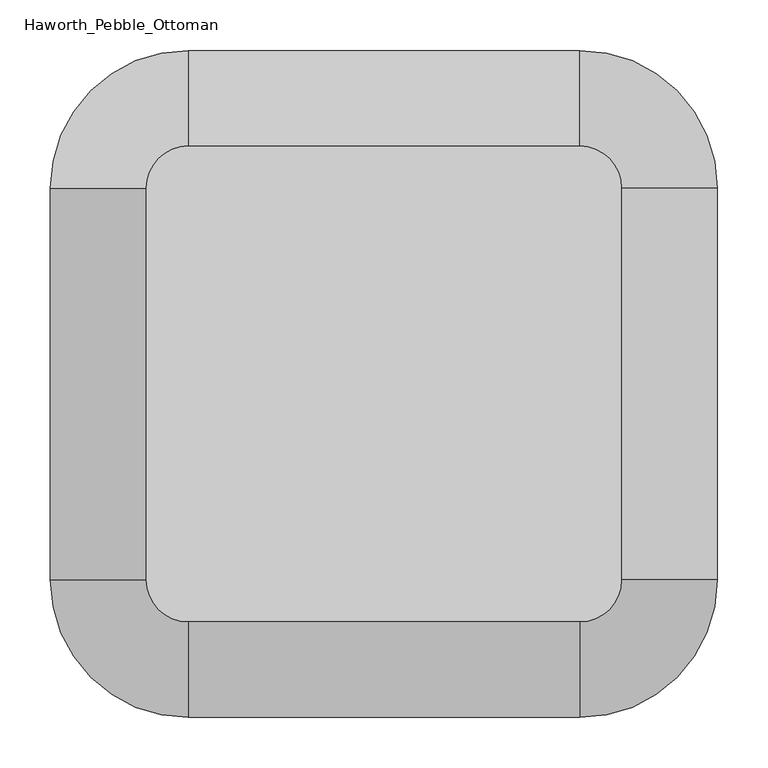
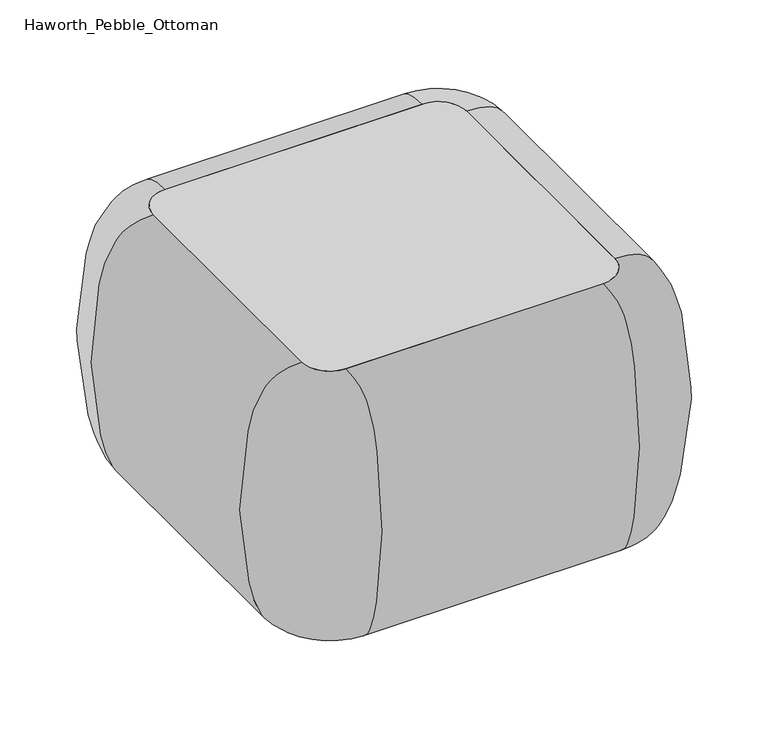
"""IFC4 building model written with IfcOpenShell, lengths in millimetres: furniture geometry, Haworth_Pebble_Ottoman."""

from ifc_helpers import new_model, si_unit, point, frame, frame_2d, origin, origin_with_axes, place, context, project, spatial, polyline, circle_curve, trimmed, segment, composite_curve, outline, extrude, source, transform, mapped, element, save
from ifc_brep_helpers import plane_surface, revolved_surface, extruded_surface, spline_curve, advanced_brep


def haworth_pebble_ottoman_5404f84c(model_context):
    return source(origin(), model_context, "Body", "SolidModel", [
        advanced_brep(
        [(-176.5660101, -203.5755598, 431.4267645), (-134.8941351, -161.9036848, 431.4267645), (-134.8941351, -161.9036848, 15.9000004), (-176.5660101, -203.5755598, 15.9000004), (-176.5660101, -591.6663394, 15.9000004), (-176.5660101, -591.6663394, 431.4267645), (-134.8941351, -633.3382144, 431.4267645), (-134.8941351, -633.3382144, 15.9000004), (253.1966445, -633.3382144, 15.9000004), (253.1966445, -633.3382144, 431.4267645), (294.8685195, -591.6663394, 431.4267645), (294.8685195, -591.6663394, 15.9000004), (294.8685195, -203.5755598, 15.9000004), (294.8685195, -203.5755598, 431.4267645), (253.1966445, -161.9036848, 431.4267645), (253.1966445, -161.9036848, 15.9000004)],
        [
            (0, 1, circle_curve(frame((-134.8941351, -203.5755598, 431.4267645), z_axis=(0.0, 0.0, -1.0), x_axis=(0.0, 1.0, 0.0)), 41.671875)),
            (1, 2, spline_curve(3, [(-134.8941351, -161.9036848, 431.4267645), (-134.8941351, -121.948115381, 431.4267645), (-134.8941351, -110.871777146, 418.111325992), (-134.8941351, -89.306972713, 387.074624676), (-134.8941351, -84.670677697, 372.805576067), (-134.8941351, -73.635251949, 318.739710756), (-134.8941351, -67.131224276, 272.461148795), (-134.8941351, -67.473839323, 183.217431721), (-134.8941351, -74.88408531, 140.468636482), (-134.8941351, -86.610831328, 86.422119583), (-134.8941351, -91.160499, 69.442528942), (-134.8941351, -105.990009523, 40.550023909), (-134.8941351, -113.99736919, 28.736458982), (-134.8941351, -161.9036848, 15.9000004)], [4, 2, 2, 2, 2, 2, 4], [0.0, 0.14234338208612818, 0.3844442925433662, 0.7007195720884005, 1.0300826792167348, 1.2544468815012602, 1.4077182079104207])),
            (2, 3, circle_curve(frame((-134.8941351, -203.5755598, 15.9000004), z_axis=(0.0, 0.0, 1.0), x_axis=(0.0, 1.0, 0.0)), 41.671875)),
            (3, 0, spline_curve(3, [(-176.5660101, -203.5755598, 15.9000004), (-224.47232571, -203.5755598, 28.736458982), (-232.479685377, -203.5755598, 40.550023909), (-247.3091959, -203.5755598, 69.442528942), (-251.858863572, -203.5755598, 86.422119583), (-263.58560959, -203.5755598, 140.468636482), (-270.995855577, -203.5755598, 183.217431721), (-271.338470624, -203.5755598, 272.461148795), (-264.834442951, -203.5755598, 318.739710756), (-253.799017203, -203.5755598, 372.805576067), (-249.162722287, -203.5755598, 387.074624676), (-227.597917854, -203.5755598, 418.111325992), (-216.521579519, -203.5755598, 431.4267645), (-176.5660101, -203.5755598, 431.4267645)], [4, 2, 2, 2, 2, 2, 4], [0.0, 0.15327132640916052, 0.3776355286936859, 0.7069986358220202, 1.0232739153670545, 1.2653748258242925, 1.4077182079104207])),
            (2, 1),
            (0, 3),
            (3, 4),
            (4, 5, spline_curve(3, [(-176.5660101, -591.6663394, 15.9000004), (-224.47232571, -591.6663394, 28.736458982), (-232.479685377, -591.6663394, 40.550023909), (-247.3091959, -591.6663394, 69.442528942), (-251.858863572, -591.6663394, 86.422119583), (-263.58560959, -591.6663394, 140.468636482), (-270.995855577, -591.6663394, 183.217431721), (-271.338470624, -591.6663394, 272.461148795), (-264.834442951, -591.6663394, 318.739710756), (-253.799017203, -591.6663394, 372.805576067), (-249.162722287, -591.6663394, 387.074624676), (-227.597917854, -591.6663394, 418.111325992), (-216.521579519, -591.6663394, 431.4267645), (-176.5660101, -591.6663394, 431.4267645)], [4, 2, 2, 2, 2, 2, 4], [0.0, 0.15327132640916052, 0.3776355286936859, 0.7069986358220202, 1.0232739153670545, 1.2653748258242925, 1.4077182079104207])),
            (5, 0),
            (5, 4),
            (6, 5, circle_curve(frame((-134.8941351, -591.6663394, 431.4267645), z_axis=(0.0, 0.0, -1.0), x_axis=(-1.0, 0.0, 0.0)), 41.671875)),
            (4, 7, circle_curve(frame((-134.8941351, -591.6663394, 15.9000004), z_axis=(0.0, 0.0, 1.0), x_axis=(-1.0, 0.0, 0.0)), 41.671875)),
            (7, 6, spline_curve(3, [(-134.8941351, -633.3382144, 15.9000004), (-134.8941351, -681.24453001, 28.736458982), (-134.8941351, -689.251889677, 40.550023909), (-134.8941351, -704.0814002, 69.442528942), (-134.8941351, -708.631067872, 86.422119583), (-134.8941351, -720.35781389, 140.468636482), (-134.8941351, -727.768059877, 183.217431721), (-134.8941351, -728.110674924, 272.461148795), (-134.8941351, -721.606647251, 318.739710756), (-134.8941351, -710.571221503, 372.805576067), (-134.8941351, -705.934926587, 387.074624676), (-134.8941351, -684.370122154, 418.111325992), (-134.8941351, -673.293783819, 431.4267645), (-134.8941351, -633.3382144, 431.4267645)], [4, 2, 2, 2, 2, 2, 4], [0.0, 0.15327132640916052, 0.3776355286936859, 0.7069986358220202, 1.0232739153670545, 1.2653748258242925, 1.4077182079104207])),
            (6, 7),
            (7, 8),
            (8, 9, spline_curve(3, [(253.1966445, -633.3382144, 15.9000004), (253.1966445, -681.24453001, 28.736458982), (253.1966445, -689.251889677, 40.550023909), (253.1966445, -704.0814002, 69.442528942), (253.1966445, -708.631067872, 86.422119583), (253.1966445, -720.35781389, 140.468636482), (253.1966445, -727.768059877, 183.217431721), (253.1966445, -728.110674924, 272.461148795), (253.1966445, -721.606647251, 318.739710756), (253.1966445, -710.571221503, 372.805576067), (253.1966445, -705.934926587, 387.074624676), (253.1966445, -684.370122154, 418.111325992), (253.1966445, -673.293783819, 431.4267645), (253.1966445, -633.3382144, 431.4267645)], [4, 2, 2, 2, 2, 2, 4], [0.0, 0.15327132640916052, 0.3776355286936859, 0.7069986358220202, 1.0232739153670545, 1.2653748258242925, 1.4077182079104207])),
            (9, 6),
            (9, 8),
            (10, 9, circle_curve(frame((253.1966445, -591.6663394, 431.4267645), z_axis=(0.0, 0.0, -1.0), x_axis=(0.0, -1.0, 0.0)), 41.671875)),
            (8, 11, circle_curve(frame((253.1966445, -591.6663394, 15.9000004), z_axis=(0.0, 0.0, 1.0), x_axis=(0.0, -1.0, 0.0)), 41.671875)),
            (11, 10, spline_curve(3, [(294.8685195, -591.6663394, 15.9000004), (342.77483511, -591.6663394, 28.736458982), (350.782194777, -591.6663394, 40.550023909), (365.6117053, -591.6663394, 69.442528942), (370.161372972, -591.6663394, 86.422119583), (381.88811899, -591.6663394, 140.468636482), (389.298364977, -591.6663394, 183.217431721), (389.640980024, -591.6663394, 272.461148795), (383.136952351, -591.6663394, 318.739710756), (372.101526603, -591.6663394, 372.805576067), (367.465231687, -591.6663394, 387.074624676), (345.900427254, -591.6663394, 418.111325992), (334.824088919, -591.6663394, 431.4267645), (294.8685195, -591.6663394, 431.4267645)], [4, 2, 2, 2, 2, 2, 4], [0.0, 0.15327132640916052, 0.3776355286936859, 0.7069986358220202, 1.0232739153670545, 1.2653748258242925, 1.4077182079104207])),
            (10, 11),
            (11, 12),
            (12, 13, spline_curve(3, [(294.8685195, -203.5755598, 15.9000004), (342.77483511, -203.5755598, 28.736458982), (350.782194777, -203.5755598, 40.550023909), (365.6117053, -203.5755598, 69.442528942), (370.161372972, -203.5755598, 86.422119583), (381.88811899, -203.5755598, 140.468636482), (389.298364977, -203.5755598, 183.217431721), (389.640980024, -203.5755598, 272.461148795), (383.136952351, -203.5755598, 318.739710756), (372.101526603, -203.5755598, 372.805576067), (367.465231687, -203.5755598, 387.074624676), (345.900427254, -203.5755598, 418.111325992), (334.824088919, -203.5755598, 431.4267645), (294.8685195, -203.5755598, 431.4267645)], [4, 2, 2, 2, 2, 2, 4], [0.0, 0.15327132640916052, 0.3776355286936859, 0.7069986358220202, 1.0232739153670545, 1.2653748258242925, 1.4077182079104207])),
            (13, 10),
            (13, 12),
            (14, 13, circle_curve(frame((253.1966445, -203.5755598, 431.4267645), z_axis=(0.0, 0.0, -1.0), x_axis=(1.0, 0.0, 0.0)), 41.671875)),
            (12, 15, circle_curve(frame((253.1966445, -203.5755598, 15.9000004), z_axis=(0.0, 0.0, 1.0), x_axis=(1.0, 0.0, 0.0)), 41.671875)),
            (15, 14, spline_curve(3, [(253.1966445, -161.9036848, 15.9000004), (253.1966445, -113.99736919, 28.736458982), (253.1966445, -105.990009523, 40.550023909), (253.1966445, -91.160499, 69.442528942), (253.1966445, -86.610831328, 86.422119583), (253.1966445, -74.88408531, 140.468636482), (253.1966445, -67.473839323, 183.217431721), (253.1966445, -67.131224276, 272.461148795), (253.1966445, -73.635251949, 318.739710756), (253.1966445, -84.670677697, 372.805576067), (253.1966445, -89.306972713, 387.074624676), (253.1966445, -110.871777146, 418.111325992), (253.1966445, -121.948115381, 431.4267645), (253.1966445, -161.9036848, 431.4267645)], [4, 2, 2, 2, 2, 2, 4], [0.0, 0.15327132640916052, 0.3776355286936859, 0.7069986358220202, 1.0232739153670545, 1.2653748258242925, 1.4077182079104207])),
            (14, 15),
            (15, 2),
            (1, 14),
        ],
        [
            revolved_surface(spline_curve(3, [(-134.8941351, -161.9036848, 15.9000004), (-134.8941351, -113.99736919, 28.736458982), (-134.8941351, -105.990009523, 40.550023909), (-134.8941351, -91.160499, 69.442528942), (-134.8941351, -86.610831328, 86.422119583), (-134.8941351, -74.88408531, 140.468636482), (-134.8941351, -67.473839323, 183.217431721), (-134.8941351, -67.131224276, 272.461148795), (-134.8941351, -73.635251949, 318.739710756), (-134.8941351, -84.670677697, 372.805576067), (-134.8941351, -89.306972713, 387.074624676), (-134.8941351, -110.871777146, 418.111325992), (-134.8941351, -121.948115381, 431.4267645), (-134.8941351, -161.9036848, 431.4267645)], [4, 2, 2, 2, 2, 2, 4], [0.0, 0.15327132640916052, 0.3776355286936859, 0.7069986358220202, 1.0232739153670545, 1.2653748258242925, 1.4077182079104207]), (-134.8941351, -203.5755598, 584.2), (0.0, 0.0, 1.0)),
            revolved_surface(polyline([(-134.8941351, -161.9036848, 431.4267645), (-134.8941351, -161.9036848, 15.900000399999954)]), (-134.8941351, -203.5755598, 584.2), (0.0, 0.0, 1.0)),
            extruded_surface(spline_curve(3, [(-176.5660101, -591.6663394, 15.9000004), (-224.47232571, -591.6663394, 28.736458982), (-232.479685377, -591.6663394, 40.550023909), (-247.3091959, -591.6663394, 69.442528942), (-251.858863572, -591.6663394, 86.422119583), (-263.58560959, -591.6663394, 140.468636482), (-270.995855577, -591.6663394, 183.217431721), (-271.338470624, -591.6663394, 272.461148795), (-264.834442951, -591.6663394, 318.739710756), (-253.799017203, -591.6663394, 372.805576067), (-249.162722287, -591.6663394, 387.074624676), (-227.597917854, -591.6663394, 418.111325992), (-216.521579519, -591.6663394, 431.4267645), (-176.5660101, -591.6663394, 431.4267645)], [4, 2, 2, 2, 2, 2, 4], [0.0, 0.15327132640916052, 0.3776355286936859, 0.7069986358220202, 1.0232739153670545, 1.2653748258242925, 1.4077182079104207]), (0.0, 388.09077959999996, 0.0), 388.09077959999996),
            plane_surface(frame((-176.5660101, -203.5755598, 431.4267645), z_axis=(1.0, 0.0, 0.0), x_axis=(0.0, -1.0, 0.0))),
            revolved_surface(spline_curve(3, [(-176.5660101, -591.6663394, 15.9000004), (-224.47232571, -591.6663394, 28.736458982), (-232.479685377, -591.6663394, 40.550023909), (-247.3091959, -591.6663394, 69.442528942), (-251.858863572, -591.6663394, 86.422119583), (-263.58560959, -591.6663394, 140.468636482), (-270.995855577, -591.6663394, 183.217431721), (-271.338470624, -591.6663394, 272.461148795), (-264.834442951, -591.6663394, 318.739710756), (-253.799017203, -591.6663394, 372.805576067), (-249.162722287, -591.6663394, 387.074624676), (-227.597917854, -591.6663394, 418.111325992), (-216.521579519, -591.6663394, 431.4267645), (-176.5660101, -591.6663394, 431.4267645)], [4, 2, 2, 2, 2, 2, 4], [0.0, 0.15327132640916052, 0.3776355286936859, 0.7069986358220202, 1.0232739153670545, 1.2653748258242925, 1.4077182079104207]), (-134.8941351, -591.6663394, 584.2), (0.0, 0.0, 1.0)),
            revolved_surface(polyline([(-176.5660101, -591.6663394, 431.4267645), (-176.5660101, -591.6663394, 15.900000399999954)]), (-134.8941351, -591.6663394, 584.2), (0.0, 0.0, 1.0)),
            extruded_surface(spline_curve(3, [(253.1966445, -633.3382144, 15.9000004), (253.1966445, -681.24453001, 28.736458982), (253.1966445, -689.251889677, 40.550023909), (253.1966445, -704.0814002, 69.442528942), (253.1966445, -708.631067872, 86.422119583), (253.1966445, -720.35781389, 140.468636482), (253.1966445, -727.768059877, 183.217431721), (253.1966445, -728.110674924, 272.461148795), (253.1966445, -721.606647251, 318.739710756), (253.1966445, -710.571221503, 372.805576067), (253.1966445, -705.934926587, 387.074624676), (253.1966445, -684.370122154, 418.111325992), (253.1966445, -673.293783819, 431.4267645), (253.1966445, -633.3382144, 431.4267645)], [4, 2, 2, 2, 2, 2, 4], [0.0, 0.15327132640916052, 0.3776355286936859, 0.7069986358220202, 1.0232739153670545, 1.2653748258242925, 1.4077182079104207]), (-388.0907796, 0.0, 0.0), 388.0907796),
            plane_surface(frame((-134.8941351, -633.3382144, 431.4267645), z_axis=(0.0, 1.0, 0.0), x_axis=(1.0, 0.0, 0.0))),
            revolved_surface(spline_curve(3, [(253.1966445, -633.3382144, 15.9000004), (253.1966445, -681.24453001, 28.736458982), (253.1966445, -689.251889677, 40.550023909), (253.1966445, -704.0814002, 69.442528942), (253.1966445, -708.631067872, 86.422119583), (253.1966445, -720.35781389, 140.468636482), (253.1966445, -727.768059877, 183.217431721), (253.1966445, -728.110674924, 272.461148795), (253.1966445, -721.606647251, 318.739710756), (253.1966445, -710.571221503, 372.805576067), (253.1966445, -705.934926587, 387.074624676), (253.1966445, -684.370122154, 418.111325992), (253.1966445, -673.293783819, 431.4267645), (253.1966445, -633.3382144, 431.4267645)], [4, 2, 2, 2, 2, 2, 4], [0.0, 0.15327132640916052, 0.3776355286936859, 0.7069986358220202, 1.0232739153670545, 1.2653748258242925, 1.4077182079104207]), (253.1966445, -591.6663394, 584.2), (0.0, 0.0, 1.0)),
            revolved_surface(polyline([(253.1966445, -633.3382144, 431.4267645), (253.1966445, -633.3382144, 15.900000399999954)]), (253.1966445, -591.6663394, 584.2), (0.0, 0.0, 1.0)),
            extruded_surface(spline_curve(3, [(294.8685195, -203.5755598, 15.9000004), (342.77483511, -203.5755598, 28.736458982), (350.782194777, -203.5755598, 40.550023909), (365.6117053, -203.5755598, 69.442528942), (370.161372972, -203.5755598, 86.422119583), (381.88811899, -203.5755598, 140.468636482), (389.298364977, -203.5755598, 183.217431721), (389.640980024, -203.5755598, 272.461148795), (383.136952351, -203.5755598, 318.739710756), (372.101526603, -203.5755598, 372.805576067), (367.465231687, -203.5755598, 387.074624676), (345.900427254, -203.5755598, 418.111325992), (334.824088919, -203.5755598, 431.4267645), (294.8685195, -203.5755598, 431.4267645)], [4, 2, 2, 2, 2, 2, 4], [0.0, 0.15327132640916052, 0.3776355286936859, 0.7069986358220202, 1.0232739153670545, 1.2653748258242925, 1.4077182079104207]), (0.0, -388.09077959999996, 0.0), 388.09077959999996),
            plane_surface(frame((294.8685195, -591.6663394, 431.4267645), z_axis=(-1.0, 0.0, 0.0), x_axis=(0.0, 1.0, 0.0))),
            revolved_surface(spline_curve(3, [(294.8685195, -203.5755598, 15.9000004), (342.77483511, -203.5755598, 28.736458982), (350.782194777, -203.5755598, 40.550023909), (365.6117053, -203.5755598, 69.442528942), (370.161372972, -203.5755598, 86.422119583), (381.88811899, -203.5755598, 140.468636482), (389.298364977, -203.5755598, 183.217431721), (389.640980024, -203.5755598, 272.461148795), (383.136952351, -203.5755598, 318.739710756), (372.101526603, -203.5755598, 372.805576067), (367.465231687, -203.5755598, 387.074624676), (345.900427254, -203.5755598, 418.111325992), (334.824088919, -203.5755598, 431.4267645), (294.8685195, -203.5755598, 431.4267645)], [4, 2, 2, 2, 2, 2, 4], [0.0, 0.15327132640916052, 0.3776355286936859, 0.7069986358220202, 1.0232739153670545, 1.2653748258242925, 1.4077182079104207]), (253.1966445, -203.5755598, 584.2), (0.0, 0.0, 1.0)),
            revolved_surface(polyline([(294.8685195, -203.5755598, 431.4267645), (294.8685195, -203.5755598, 15.900000399999954)]), (253.1966445, -203.5755598, 584.2), (0.0, 0.0, 1.0)),
            extruded_surface(spline_curve(3, [(-134.8941351, -161.9036848, 15.9000004), (-134.8941351, -113.99736919, 28.736458982), (-134.8941351, -105.990009523, 40.550023909), (-134.8941351, -91.160499, 69.442528942), (-134.8941351, -86.610831328, 86.422119583), (-134.8941351, -74.88408531, 140.468636482), (-134.8941351, -67.473839323, 183.217431721), (-134.8941351, -67.131224276, 272.461148795), (-134.8941351, -73.635251949, 318.739710756), (-134.8941351, -84.670677697, 372.805576067), (-134.8941351, -89.306972713, 387.074624676), (-134.8941351, -110.871777146, 418.111325992), (-134.8941351, -121.948115381, 431.4267645), (-134.8941351, -161.9036848, 431.4267645)], [4, 2, 2, 2, 2, 2, 4], [0.0, 0.15327132640916052, 0.3776355286936859, 0.7069986358220202, 1.0232739153670545, 1.2653748258242925, 1.4077182079104207]), (388.0907796, 0.0, 0.0), 388.0907796),
            plane_surface(frame((253.1966445, -161.9036848, 431.4267645), z_axis=(0.0, -1.0, 0.0), x_axis=(-1.0, 0.0, 0.0))),
        ],
        [
            (0, [[1, 2, 3, 4]]),
            (1, [[-3, 5, -1, 6]]),
            (2, [[-4, 7, 8, 9]]),
            (3, [[-6, -9, 10, -7]]),
            (4, [[11, -8, 12, 13]]),
            (5, [[-12, -10, -11, 14]]),
            (6, [[-13, 15, 16, 17]]),
            (7, [[-14, -17, 18, -15]]),
            (8, [[19, -16, 20, 21]]),
            (9, [[-20, -18, -19, 22]]),
            (10, [[-21, 23, 24, 25]]),
            (11, [[-22, -25, 26, -23]]),
            (12, [[27, -24, 28, 29]]),
            (13, [[-28, -26, -27, 30]]),
            (14, [[-29, 31, -2, 32]]),
            (15, [[-30, -32, -5, -31]]),
        ],
    ),
        extrude(outline(composite_curve([segment(trimmed(circle_curve(frame_2d((232.1887547, -570.6584496)), 30.1625), [point((202.0262547, -570.6584496))], [point((262.3512547, -570.6584496))], False, "CARTESIAN"), True, "CONTINUOUS"), segment(trimmed(circle_curve(frame_2d((232.1887547, -570.6584496)), 30.1625), [point((262.3512547, -570.6584496))], [point((202.0262547, -570.6584496))], False, "CARTESIAN"), True, "CONTINUOUS")], self_intersect=False)), origin_with_axes(), (0.0, 0.0, 1.0), 15.9000004),
        extrude(outline(composite_curve([segment(trimmed(circle_curve(frame_2d((-113.8862453, -570.6584496)), 30.1625), [point((-83.7237453, -570.6584496))], [point((-144.0487453, -570.6584496))], False, "CARTESIAN"), True, "CONTINUOUS"), segment(trimmed(circle_curve(frame_2d((-113.8862453, -570.6584496)), 30.1625), [point((-144.0487453, -570.6584496))], [point((-83.7237453, -570.6584496))], False, "CARTESIAN"), True, "CONTINUOUS")], self_intersect=False)), origin_with_axes(), (0.0, 0.0, 1.0), 15.9000004),
        extrude(outline(composite_curve([segment(trimmed(circle_curve(frame_2d((232.1887547, -224.5834496)), 30.1625), [point((202.0262547, -224.5834496))], [point((262.3512547, -224.5834496))], False, "CARTESIAN"), True, "CONTINUOUS"), segment(trimmed(circle_curve(frame_2d((232.1887547, -224.5834496)), 30.1625), [point((262.3512547, -224.5834496))], [point((202.0262547, -224.5834496))], False, "CARTESIAN"), True, "CONTINUOUS")], self_intersect=False)), origin_with_axes(), (0.0, 0.0, 1.0), 15.9000004),
        extrude(outline(composite_curve([segment(trimmed(circle_curve(frame_2d((-113.8862453, -224.5834496)), 30.1625), [point((-83.7237453, -224.5834496))], [point((-144.0487453, -224.5834496))], False, "CARTESIAN"), True, "CONTINUOUS"), segment(trimmed(circle_curve(frame_2d((-113.8862453, -224.5834496)), 30.1625), [point((-144.0487453, -224.5834496))], [point((-83.7237453, -224.5834496))], False, "CARTESIAN"), True, "CONTINUOUS")], self_intersect=False)), origin_with_axes(), (0.0, 0.0, 1.0), 15.9000004),
        extrude(outline(composite_curve([segment(trimmed(circle_curve(frame_2d((-134.8941351, -203.5755598)), 41.671875), [point((-176.5660101, -203.5755598))], [point((-134.8941351, -161.9036848))], False, "CARTESIAN"), True, "CONTINUOUS"), segment(polyline([(-134.8941351, -161.9036848), (253.1966445, -161.9036848)]), True, "CONTINUOUS"), segment(trimmed(circle_curve(frame_2d((253.1966445, -203.5755598)), 41.671875), [point((253.1966445, -161.9036848))], [point((294.8685195, -203.5755598))], False, "CARTESIAN"), True, "CONTINUOUS"), segment(polyline([(294.8685195, -203.5755598), (294.8685195, -591.6663394)]), True, "CONTINUOUS"), segment(trimmed(circle_curve(frame_2d((253.1966445, -591.6663394)), 41.671875), [point((294.8685195, -591.6663394))], [point((253.1966445, -633.3382144))], False, "CARTESIAN"), True, "CONTINUOUS"), segment(polyline([(253.1966445, -633.3382144), (-134.8941351, -633.3382144)]), True, "CONTINUOUS"), segment(trimmed(circle_curve(frame_2d((-134.8941351, -591.6663394)), 41.671875), [point((-134.8941351, -633.3382144))], [point((-176.5660101, -591.6663394))], False, "CARTESIAN"), True, "CONTINUOUS"), segment(polyline([(-176.5660101, -591.6663394), (-176.5660101, -203.5755598)]), True, "CONTINUOUS")], self_intersect=False)), frame((0.0, 0.0, 15.9000004), z_axis=(0.0, 0.0, 1.0), x_axis=(1.0, 0.0, 0.0)), (0.0, 0.0, 1.0), 415.8999996),
    ])


if __name__ == "__main__":
    model = new_model("IFC4")
    model_context = context("Model", 3, world=origin())
    ifc_project = project(units=[si_unit("LENGTHUNIT", "METRE", prefix="MILLI")], contexts=[model_context])
    site = spatial("IfcSite", under=ifc_project)
    building = spatial("IfcBuilding", under=site)
    placement = place(None, origin())
    haworth_pebble_ottoman_shape = haworth_pebble_ottoman_5404f84c(model_context)
    element("IfcFurniture", 1, ObjectType="Haworth_Pebble_Ottoman", at=placement, inside=building, context=model_context, shape_type="MappedRepresentation", body=[
        mapped(haworth_pebble_ottoman_shape, transform((0.0, 0.0, 0.0), x_axis=(1.0, 0.0, 0.0), y_axis=(0.0, 1.0, 0.0), z_axis=(0.0, 0.0, 1.0))),
    ])
    save(model, "model.ifc")
